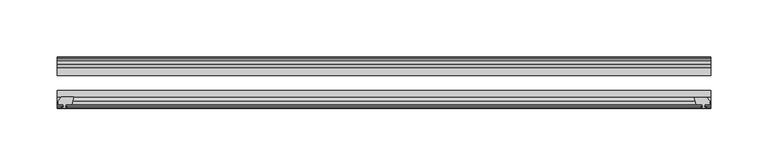
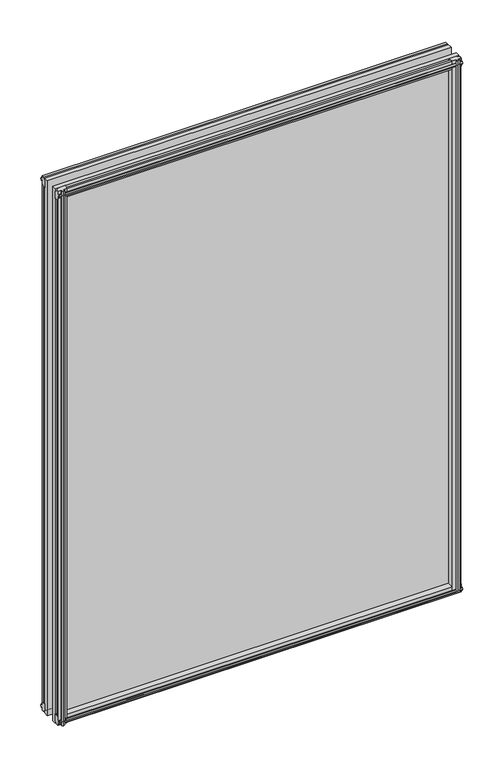
"""IFC4 building model written with IfcOpenShell, lengths in millimetres: plate geometry."""

from ifc_helpers import new_model, si_unit, frame, origin, place, context, project, spatial, polyline, outline, extrude, source, transform, mapped, element, save


def plate_b35a837e(model_context):
    return source(origin(), model_context, "Body", "SweptSolid", [
        extrude(outline(polyline([(-271.3322822, -83.2445312), (-273.0500003, -89.5945312), (-278.2570003, -89.5945312), (-278.6380003, -91.9747282), (-277.2224712, -91.514795), (-277.2224712, -92.3160092), (-279.4000003, -93.0235312), (-281.5775293, -92.3160092), (-281.5775293, -91.514795), (-280.1620003, -91.9747282), (-280.5430003, -89.5945312), (-284.9880003, -89.5945312), (-284.9880003, -86.6481312), (-282.1536581, -83.2445312), (-271.3322822, -83.2445312)])), frame((0.0, 0.0, -12.4587), z_axis=(0.0, 0.0, 1.0), x_axis=(1.0, 0.0, 0.0)), (0.0, 0.0, 1.0), 799.6173998),
        extrude(outline(polyline([(271.3538929, -83.3244209), (282.1752688, -83.3244209), (285.0096109, -86.7280209), (285.0096109, -89.6744209), (280.5646109, -89.6744209), (280.1836109, -92.0546178), (281.59914, -91.5946846), (281.59914, -92.3958988), (279.4216109, -93.1034209), (277.2440819, -92.3958988), (277.2440819, -91.5946846), (278.6596109, -92.0546178), (278.2786109, -89.6744209), (273.0716109, -89.6744209), (271.3538929, -83.3244209)])), frame((0.0, 0.0, -9.0482291), z_axis=(0.0, 0.0, 1.0), x_axis=(1.0, 0.0, 0.0)), (0.0, 0.0, 1.0), 796.2069289),
        extrude(outline(polyline([(-280.6827003, -49.1143343), (-282.0982293, -49.5742675), (-282.0982293, -48.7730533), (-279.9207003, -48.0655313), (-277.7431712, -48.7730533), (-277.7431712, -49.5742675), (-279.1587003, -49.1143343), (-278.7777003, -51.4945313), (-273.5707003, -51.4945313), (-271.8529822, -57.8445313), (-282.6743581, -57.8445313), (-285.5087003, -54.4409313), (-285.5087003, -51.4945313), (-281.0637003, -51.4945313), (-280.6827003, -49.1143343)])), frame((0.0, 0.0, -12.4587), z_axis=(0.0, 0.0, 1.0), x_axis=(1.0, 0.0, 0.0)), (0.0, 0.0, 1.0), 793.2673998),
        extrude(outline(polyline([(271.8529822, -57.8445313), (273.5707003, -51.4945313), (278.7777003, -51.4945313), (279.1587003, -49.1143343), (277.7431712, -49.5742675), (277.7431712, -48.7730533), (279.9207003, -48.0655313), (282.0982293, -48.7730533), (282.0982293, -49.5742675), (280.6827003, -49.1143343), (281.0637003, -51.4945313), (285.5087003, -51.4945313), (285.5087003, -54.4409313), (282.6743581, -57.8445313), (271.8529822, -57.8445313)])), frame((0.0, 0.0, -12.4587), z_axis=(0.0, 0.0, 1.0), x_axis=(1.0, 0.0, 0.0)), (0.0, 0.0, 1.0), 793.2673998),
        extrude(outline(polyline([(-48.7730533, -4.6931709), (-48.0655312, -6.8707), (-48.7730533, -9.0482291), (-49.5742675, -9.0482291), (-49.1143343, -7.6327), (-51.4945312, -8.0137), (-51.4945312, -12.4587), (-54.4409312, -12.4587), (-57.8445312, -9.6243578), (-57.8445312, 1.1970181), (-51.4945312, -0.5207), (-51.4945312, -5.7277), (-49.1143343, -6.1087), (-49.5742675, -4.6931709), (-48.7730533, -4.6931709)])), frame((-285.7500003, 0.0, 0.0), z_axis=(1.0, 0.0, 0.0), x_axis=(0.0, 1.0, 0.0)), (0.0, 0.0, 1.0), 571.5000005),
        extrude(outline(polyline([(-83.2445312, 1.7177181), (-83.2445312, -9.1036578), (-86.6481312, -11.938), (-89.5945312, -11.938), (-89.5945312, -7.493), (-91.9747282, -7.112), (-91.514795, -8.5275291), (-92.3160092, -8.5275291), (-93.0235312, -6.35), (-92.3160092, -4.1724709), (-91.514795, -4.1724709), (-91.9747282, -5.588), (-89.5945312, -5.207), (-89.5945312, 0.0), (-83.2445312, 1.7177181)])), frame((-285.7500003, 0.0, 0.0), z_axis=(1.0, 0.0, 0.0), x_axis=(0.0, 1.0, 0.0)), (0.0, 0.0, 1.0), 571.5000005),
        extrude(outline(polyline([(-49.1143343, 782.3326998), (-49.5742675, 783.7482289), (-48.7730533, 783.7482289), (-48.0655312, 781.5706998), (-48.7730533, 779.3931708), (-49.5742675, 779.3931708), (-49.1143343, 780.8086998), (-51.4945312, 780.4276998), (-51.4945312, 775.2206998), (-57.8445313, 773.5029818), (-57.8445313, 784.3243577), (-54.4409312, 787.1586998), (-51.4945312, 787.1586998), (-51.4945312, 782.7136998), (-49.1143343, 782.3326998)])), frame((-285.7500003, 0.0, 0.0), z_axis=(1.0, 0.0, 0.0), x_axis=(0.0, 1.0, 0.0)), (0.0, 0.0, 1.0), 571.5000005),
        extrude(outline(polyline([(-89.5945312, 786.6379998), (-86.6481312, 786.6379998), (-83.2445313, 783.8036577), (-83.2445313, 772.9822818), (-89.5945312, 774.6999998), (-89.5945312, 779.9069998), (-91.9747282, 780.2879998), (-91.514795, 778.8724708), (-92.3160092, 778.8724708), (-93.0235312, 781.0499998), (-92.3160092, 783.2275289), (-91.514795, 783.2275289), (-91.9747282, 781.8119998), (-89.5945312, 782.1929998), (-89.5945312, 786.6379998)])), frame((-285.7500003, 0.0, 0.0), z_axis=(1.0, 0.0, 0.0), x_axis=(0.0, 1.0, 0.0)), (0.0, 0.0, 1.0), 571.5000005),
        extrude(outline(polyline([(-285.7500003, -57.8445312), (285.7500003, -57.8445312), (285.7500003, -64.1945313), (-285.7500003, -64.1945313), (-285.7500003, -57.8445312)])), frame((0.0, 0.0, -12.7), z_axis=(0.0, 0.0, 1.0), x_axis=(1.0, 0.0, 0.0)), (0.0, 0.0, 1.0), 800.0999998),
        extrude(outline(polyline([(-285.7500003, -77.2171112), (285.7500003, -77.2171112), (285.7500003, -83.2445312), (-285.7500003, -83.2445312), (-285.7500003, -77.2171112)])), frame((0.0, 0.0, -12.7), z_axis=(0.0, 0.0, 1.0), x_axis=(1.0, 0.0, 0.0)), (0.0, 0.0, 1.0), 800.0999998),
    ])


if __name__ == "__main__":
    model = new_model("IFC4")
    model_context = context("Model", 3, world=origin())
    ifc_project = project(units=[si_unit("LENGTHUNIT", "METRE", prefix="MILLI")], contexts=[model_context])
    site = spatial("IfcSite", under=ifc_project)
    building = spatial("IfcBuilding", under=site)
    placement = place(None, origin())
    plate_shape = plate_b35a837e(model_context)
    element("IfcPlate", 1, at=placement, inside=building, context=model_context, shape_type="MappedRepresentation", body=[
        mapped(plate_shape, transform((0.0, 0.0, 0.0), x_axis=(1.0, 0.0, 0.0), y_axis=(0.0, 1.0, 0.0), z_axis=(0.0, 0.0, 1.0))),
    ])
    save(model, "model.ifc")
